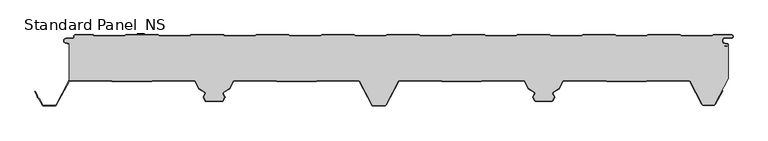
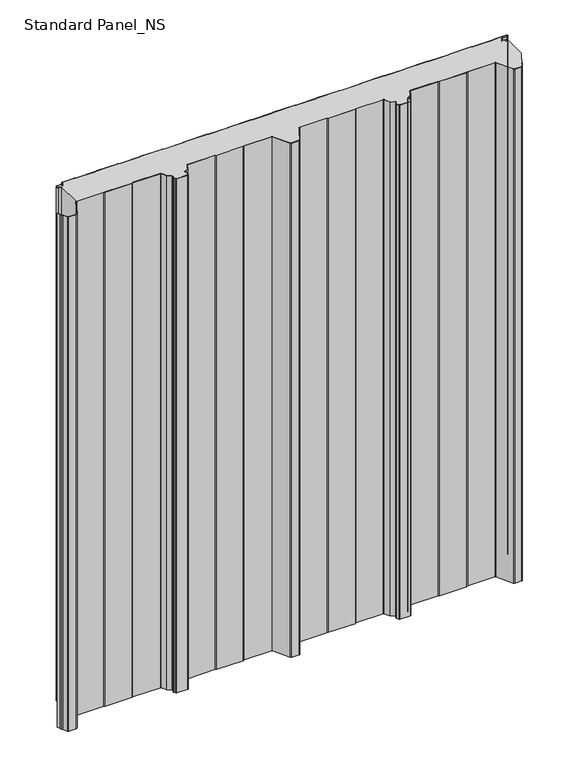
"""IFC4 building model written with IfcOpenShell, lengths in millimetres: proxy geometry, Standard Panel_NS."""

import ifcopenshell
import ifcopenshell.guid

model = None  # the IFC model being written
_history = None  # IfcOwnerHistory: only IFC2X3 demands one
_inside = {}  # id of a spatial element -> (the spatial element, [elements in it])
_under = {}  # id of a project, library or spatial element -> (it, [spatial elements below it])
_declared = {}  # id of a project -> (the project, [libraries it declares])
_typed = {}  # id of a type object -> (the type object, [elements of that type])
_made_of = {}  # id of a material, layer set ... -> (it, [elements and type objects made of it])


def new_model(schema):
    """Start an empty IFC model of exactly this schema.

    Asked for "IFC4X3", IfcOpenShell would pick the latest addendum, in which some entities
    have other attributes; the version numbers below select the first issue.
    IFC2X3 requires an IfcOwnerHistory on every rooted entity: one is made here for all.
    """
    global model, _history
    if schema == "IFC4X3":
        model = ifcopenshell.file(schema_version=(4, 3, 0, 0))
    else:
        model = ifcopenshell.file(schema=schema)
    _inside.clear()
    _under.clear()
    _declared.clear()
    _typed.clear()
    _made_of.clear()
    _history = None
    if model.schema == "IFC2X3":
        org = make("IfcOrganization", Name="unknown")
        user = make(
            "IfcPersonAndOrganization",
            ThePerson=make("IfcPerson", FamilyName="unknown"),
            TheOrganization=org,
        )
        app = make(
            "IfcApplication",
            ApplicationDeveloper=org,
            Version="unknown",
            ApplicationFullName="unknown",
            ApplicationIdentifier="unknown",
        )
        _history = make(
            "IfcOwnerHistory",
            OwningUser=user,
            OwningApplication=app,
            ChangeAction="ADDED",
            CreationDate=0,
        )
    return model


def make(cls, **values):
    """One entity of the class cls with the attributes given. An attribute that is None is left unset."""
    return model.create_entity(
        cls, **{name: value for name, value in values.items() if value is not None}
    )


def rooted(cls, **values):
    """An entity with a GlobalId (a new one), such as an element, a storey or a relation."""
    return make(cls, GlobalId=ifcopenshell.guid.new(), OwnerHistory=_history, **values)


def si_unit(unit_type, name, prefix=None):
    """IfcSIUnit, for example si_unit("LENGTHUNIT", "METRE", prefix="MILLI")."""
    return make("IfcSIUnit", UnitType=unit_type, Prefix=prefix, Name=name)


def assignment(units):
    """IfcUnitAssignment: the units of a project."""
    return None if units is None else make("IfcUnitAssignment", Units=units)


def point(xyz):
    """IfcCartesianPoint."""
    return None if xyz is None else make("IfcCartesianPoint", Coordinates=xyz)


def direction(xyz):
    """IfcDirection."""
    return None if xyz is None else make("IfcDirection", DirectionRatios=xyz)


def frame(location, z_axis=None, x_axis=None):
    """IfcAxis2Placement3D, a coordinate frame: its origin and axes. An axis left out is left unset."""
    return make(
        "IfcAxis2Placement3D",
        Location=point(location),
        Axis=direction(z_axis),
        RefDirection=direction(x_axis),
    )


def frame_2d(location, x_axis=None):
    """IfcAxis2Placement2D, a coordinate frame in the plane: its origin and x axis."""
    return make(
        "IfcAxis2Placement2D", Location=point(location), RefDirection=direction(x_axis)
    )


def origin():
    """The frame at (0, 0, 0) with its axes left unset."""
    return frame((0.0, 0.0, 0.0))


def origin_with_axes():
    """The frame at (0, 0, 0) with the z axis (0, 0, 1) and the x axis (1, 0, 0) written out."""
    return frame((0.0, 0.0, 0.0), z_axis=(0.0, 0.0, 1.0), x_axis=(1.0, 0.0, 0.0))


def place(relative_to, where):
    """IfcLocalPlacement: puts the frame where relative to a parent placement (None: the world)."""
    return make(
        "IfcLocalPlacement", PlacementRelTo=relative_to, RelativePlacement=where
    )


def context(
    kind, dimensions, precision=None, world=None, true_north=None, identifier=None
):
    """IfcGeometricRepresentationContext, for example the 3D "Model" context."""
    return make(
        "IfcGeometricRepresentationContext",
        ContextIdentifier=identifier,
        ContextType=kind,
        CoordinateSpaceDimension=dimensions,
        Precision=precision,
        WorldCoordinateSystem=world,
        TrueNorth=true_north,
    )


def project(units=None, contexts=None):
    """IfcProject with its units and contexts."""
    return rooted(
        "IfcProject",
        Name="project",
        RepresentationContexts=contexts,
        UnitsInContext=assignment(units),
    )


def spatial(cls, under=None, at=None, **own):
    """A site, building, storey or space (cls), placed at a placement, below another one or the project."""
    s = rooted(cls, ObjectPlacement=at, **own)
    if under is not None:
        _under.setdefault(under.id(), (under, []))[1].append(s)
    return s


def polyline(points):
    """IfcPolyline through the points."""
    return make("IfcPolyline", Points=[point(p) for p in points])


def circle_curve(where, radius):
    """IfcCircle in the frame where."""
    return make("IfcCircle", Position=where, Radius=radius)


def trimmed(basis, trim1, trim2, sense, master):
    """IfcTrimmedCurve: the piece of a basis curve between two trims."""
    return make(
        "IfcTrimmedCurve",
        BasisCurve=basis,
        Trim1=trim1,
        Trim2=trim2,
        SenseAgreement=sense,
        MasterRepresentation=master,
    )


def segment(curve, same_sense, transition):
    """IfcCompositeCurveSegment."""
    return make(
        "IfcCompositeCurveSegment",
        Transition=transition,
        SameSense=same_sense,
        ParentCurve=curve,
    )


def composite_curve(segments, self_intersect=None):
    """IfcCompositeCurve: segments joined end to end."""
    return make("IfcCompositeCurve", Segments=segments, SelfIntersect=self_intersect)


def outline(outer, holes=None, kind="AREA"):
    """IfcArbitraryClosedProfileDef: a profile drawn as a closed curve; with holes, ...WithVoids."""
    if holes is None:
        return make("IfcArbitraryClosedProfileDef", ProfileType=kind, OuterCurve=outer)
    return make(
        "IfcArbitraryProfileDefWithVoids",
        ProfileType=kind,
        OuterCurve=outer,
        InnerCurves=holes,
    )


def extrude(swept, where, along, depth):
    """IfcExtrudedAreaSolid: the profile swept, set in the frame where, extruded along a direction by depth."""
    return make(
        "IfcExtrudedAreaSolid",
        SweptArea=swept,
        Position=where,
        ExtrudedDirection=direction(along),
        Depth=depth,
    )


def shape(context_of_items, identifier, shape_type, items):
    """IfcShapeRepresentation: the items that make up one representation, for example the "Body"."""
    return make(
        "IfcShapeRepresentation",
        ContextOfItems=context_of_items,
        RepresentationIdentifier=identifier,
        RepresentationType=shape_type,
        Items=items,
    )


def source(mapping_origin, context_of_items, identifier, shape_type, items):
    """IfcRepresentationMap: a shape defined once, which mapped items show again and again."""
    return make(
        "IfcRepresentationMap",
        MappingOrigin=mapping_origin,
        MappedRepresentation=shape(context_of_items, identifier, shape_type, items),
    )


def transform(
    local_origin,
    x_axis=None,
    y_axis=None,
    z_axis=None,
    scale=None,
    scale2=None,
    scale3=None,
    uniform=True,
):
    """IfcCartesianTransformationOperator3D, or its non-uniform kind. x_axis, y_axis, z_axis: its Axis1, 2, 3."""
    if uniform:
        return make(
            "IfcCartesianTransformationOperator3D",
            Axis1=direction(x_axis),
            Axis2=direction(y_axis),
            LocalOrigin=point(local_origin),
            Scale=scale,
            Axis3=direction(z_axis),
        )
    return make(
        "IfcCartesianTransformationOperator3DnonUniform",
        Axis1=direction(x_axis),
        Axis2=direction(y_axis),
        LocalOrigin=point(local_origin),
        Scale=scale,
        Axis3=direction(z_axis),
        Scale2=scale2,
        Scale3=scale3,
    )


def mapped(mapping_source, mapping_target):
    """IfcMappedItem: shows the shape of a source again, moved by a transform."""
    return make(
        "IfcMappedItem", MappingSource=mapping_source, MappingTarget=mapping_target
    )


def made_of(thing, what):
    """Note that an element or type object is made of a material, layer set ...; save() writes the relation."""
    if what is not None:
        _made_of.setdefault(what.id(), (what, []))[1].append(thing)
    return thing


def element(
    cls,
    number,
    at=None,
    inside=None,
    cuts=None,
    type_object=None,
    material=None,
    context=None,
    identifier="Body",
    shape_type=None,
    held_by="IfcProductDefinitionShape",
    body=None,
    shapes=None,
    **own,
):
    """One element of the class cls, such as IfcWall. Its Tag is "e" and its number.

    at: its placement. inside: the storey or other place that contains it. cuts: it is an
    opening in that element (IfcRelVoidsElement). A single representation is given by context,
    identifier, shape_type and body (its items); several are given by shapes. held_by: the class
    of the entity that holds the representations. save() writes the other relations.
    """
    e = rooted(cls, Tag="e%d" % number, ObjectPlacement=at, **own)
    if body is not None:
        shapes = [shape(context, identifier, shape_type, body)]
    if shapes is not None:
        e.Representation = make(held_by, Representations=shapes)
    if inside is not None:
        _inside.setdefault(inside.id(), (inside, []))[1].append(e)
    if cuts is not None:
        rooted(
            "IfcRelVoidsElement", RelatingBuildingElement=cuts, RelatedOpeningElement=e
        )
    if type_object is not None:
        _typed.setdefault(type_object.id(), (type_object, []))[1].append(e)
    return made_of(e, material)


def aggregate(whole, parts):
    """IfcRelAggregates: a whole, such as a stair, and the parts it consists of."""
    return rooted("IfcRelAggregates", RelatingObject=whole, RelatedObjects=parts)


def save(model, path):
    """Write the relations noted so far, then the file.

    IfcRelAggregates (storeys below a building ...), IfcRelContainedInSpatialStructure (elements
    in a storey), IfcRelDefinesByType, IfcRelAssociatesMaterial and IfcRelDeclares: one each for
    every whole, place, type object, material and project.
    """
    for whole, parts in _under.values():
        aggregate(whole, parts)
    for where, things in _inside.values():
        rooted(
            "IfcRelContainedInSpatialStructure",
            RelatedElements=things,
            RelatingStructure=where,
        )
    for kind, things in _typed.values():
        rooted("IfcRelDefinesByType", RelatedObjects=things, RelatingType=kind)
    for what, things in _made_of.values():
        rooted("IfcRelAssociatesMaterial", RelatedObjects=things, RelatingMaterial=what)
    for by, libraries in _declared.values():
        rooted("IfcRelDeclares", RelatingContext=by, RelatedDefinitions=libraries)
    model.write(path)


def standard_panel_ns_66534514(model_context):
    return source(origin(), model_context, "Body", "SweptSolid", [
        extrude(outline(composite_curve([segment(trimmed(circle_curve(frame_2d((-467.4564897, -71.75)), 2.55), [point((-467.4564897, -69.2))], [point((-468.8443846, -69.6107833))], True, "CARTESIAN"), True, "CONTINUOUS"), segment(polyline([(-468.8443846, -69.6107833), (-468.8443846, -13.0699171), (-474.2876002, -11.8132517)]), True, "CONTINUOUS"), segment(trimmed(circle_curve(frame_2d((-473.6464897, -9.036297)), 2.85), [point((-474.2876002, -11.8132517))], [point((-473.6464897, -6.186297))], False, "CARTESIAN"), True, "CONTINUOUS"), segment(polyline([(-473.6464897, -6.186297), (-463.8464897, -6.186297)]), True, "CONTINUOUS"), segment(trimmed(circle_curve(frame_2d((-463.8464897, -3.436297)), 2.75), [point((-463.8464897, -6.186297))], [point((-461.0964897, -3.436297))], True, "CARTESIAN"), True, "CONTINUOUS"), segment(polyline([(-461.0964897, -3.436297), (-461.0964897, -2.036297)]), True, "CONTINUOUS"), segment(trimmed(circle_curve(frame_2d((-459.8464897, -2.036297)), 1.25), [point((-461.0964897, -2.036297))], [point((-459.8464897, -0.786297))], False, "CARTESIAN"), True, "CONTINUOUS"), segment(polyline([(-459.8464897, -0.786297), (-432.8331943, -0.786297), (-431.1011435, -1.786297), (-384.6771824, -1.786297), (-382.902681, -0.786297), (-333.8331943, -0.786297), (-332.1011435, -1.8), (-285.6365264, -1.8), (-283.9044756, -0.8), (-234.8331943, -0.8), (-233.1011435, -1.8), (-186.6771824, -1.8), (-184.902681, -0.8), (-135.8331943, -0.8), (-134.1011435, -1.8), (-87.6771824, -1.8), (-85.902681, -0.8), (-36.8331943, -0.8), (-35.1011435, -1.8), (11.3634736, -1.8), (13.0955244, -0.8), (62.1668057, -0.8), (63.8988565, -1.8), (110.3634736, -1.8), (112.0955244, -0.8), (161.1668057, -0.8), (162.8988565, -1.8), (209.3228176, -1.8), (211.097319, -0.8), (260.1668057, -0.8), (261.8988565, -1.8), (308.3634736, -1.8), (310.0955244, -0.8), (359.1668057, -0.8), (360.8988565, -1.8), (407.3634736, -1.8), (409.0955244, -0.8), (458.1668057, -0.8), (459.8988565, -1.8), (506.3634736, -1.8), (508.0955244, -0.8), (535.6535103, -0.8)]), True, "CONTINUOUS"), segment(trimmed(circle_curve(frame_2d((535.6535103, -2.55)), 1.75), [point((535.6535103, -0.8))], [point((535.6535103, -4.3))], False, "CARTESIAN"), True, "CONTINUOUS"), segment(polyline([(535.6535103, -4.3), (526.1535103, -4.3)]), True, "CONTINUOUS"), segment(trimmed(circle_curve(frame_2d((526.1535103, -9.05)), 4.75), [point((526.1535103, -4.3))], [point((525.3286815, -13.7278368))], True, "CARTESIAN"), True, "CONTINUOUS"), segment(polyline([(525.3286815, -13.7278368), (529.6534477, -14.4904098)]), True, "CONTINUOUS"), segment(trimmed(circle_curve(frame_2d((529.5058468, -15.3274964)), 0.85), [point((529.6534477, -14.4904098))], [point((529.6253445, -16.1690547))], False, "CARTESIAN"), True, "CONTINUOUS"), segment(polyline([(529.6253445, -16.1690547), (524.7012285, -16.8682582), (524.8136969, -17.660313), (529.7378129, -16.9611095)]), True, "CONTINUOUS"), segment(trimmed(circle_curve(frame_2d((529.5058468, -15.3274964)), 1.65), [point((529.7378129, -16.9611095))], [point((531.1556156, -15.3551162))], True, "CARTESIAN"), True, "CONTINUOUS"), segment(polyline([(531.1556156, -15.3551162), (531.1556156, -66.7559646), (510.5652518, -105.4808064)]), True, "CONTINUOUS"), segment(trimmed(circle_curve(frame_2d((508.7552093, -104.5183897)), 2.05), [point((510.5652518, -105.4808064))], [point((508.7552093, -106.5683897))], False, "CARTESIAN"), True, "CONTINUOUS"), segment(polyline([(508.7552093, -106.5683897), (493.2446093, -106.5683897)]), True, "CONTINUOUS"), segment(trimmed(circle_curve(frame_2d((493.2446093, -104.5183897)), 2.05), [point((493.2446093, -106.5683897))], [point((491.4348615, -105.4813607))], False, "CARTESIAN"), True, "CONTINUOUS"), segment(polyline([(491.4348615, -105.4813607), (472.9163892, -70.5090325)]), True, "CONTINUOUS"), segment(trimmed(circle_curve(frame_2d((470.7064911, -71.7198823)), 2.5198823), [point((472.9163892, -70.5090325))], [point((470.7064911, -69.2))], True, "CARTESIAN"), True, "CONTINUOUS"), segment(polyline([(470.7064911, -69.2), (409.30759, -69.2), (406.3541332, -70.1683897), (346.5543556, -70.1683897), (343.5388467, -69.2), (281.6583282, -69.2)]), True, "CONTINUOUS"), segment(trimmed(circle_curve(frame_2d((281.4706486, -70.9901889)), 1.8), [point((281.6583282, -69.2))], [point((279.8813514, -70.1451242))], True, "CARTESIAN"), True, "CONTINUOUS"), segment(polyline([(279.8813514, -70.1451242), (273.7569305, -81.6632074), (264.7735386, -87.3508249)]), True, "CONTINUOUS"), segment(trimmed(circle_curve(frame_2d((265.7364071, -88.8716418)), 1.8), [point((264.7735386, -87.3508249))], [point((264.1273846, -89.6785164))], True, "CARTESIAN"), True, "CONTINUOUS"), segment(polyline([(264.1273846, -89.6785164), (266.7244548, -94.8574433), (263.7468294, -100.4573069), (238.2529825, -100.4573069), (235.2699012, -94.8466132), (237.8617103, -89.6784342)]), True, "CONTINUOUS"), segment(trimmed(circle_curve(frame_2d((236.2527038, -88.8715276)), 1.8), [point((237.8617103, -89.6784342))], [point((237.2156025, -87.3507298))], True, "CARTESIAN"), True, "CONTINUOUS"), segment(polyline([(237.2156025, -87.3507298), (228.2489804, -81.6734802), (222.1195681, -70.1454573)]), True, "CONTINUOUS"), segment(trimmed(circle_curve(frame_2d((220.5302541, -70.9904904)), 1.8), [point((222.1195681, -70.1454573))], [point((220.3454724, -69.2))], True, "CARTESIAN"), True, "CONTINUOUS"), segment(polyline([(220.3454724, -69.2), (158.8926889, -69.2), (156.5110491, -70.1683897), (96.7197082, -70.1683897), (94.3380684, -69.2), (32.543497, -69.2)]), True, "CONTINUOUS"), segment(trimmed(circle_curve(frame_2d((32.543497, -71.75)), 2.55), [point((32.543497, -69.2))], [point((30.2919806, -70.5528475))], True, "CARTESIAN"), True, "CONTINUOUS"), segment(polyline([(30.2919806, -70.5528475), (11.188746, -106.4808064)]), True, "CONTINUOUS"), segment(trimmed(circle_curve(frame_2d((9.3787035, -105.5183897)), 2.05), [point((11.188746, -106.4808064))], [point((9.3787035, -107.5683897))], False, "CARTESIAN"), True, "CONTINUOUS"), segment(polyline([(9.3787035, -107.5683897), (-7.3788849, -107.5683897)]), True, "CONTINUOUS"), segment(trimmed(circle_curve(frame_2d((-7.3788849, -105.5183897)), 2.05), [point((-7.3788849, -107.5683897))], [point((-9.1889275, -106.4808064))], False, "CARTESIAN"), True, "CONTINUOUS"), segment(polyline([(-9.1889275, -106.4808064), (-28.292162, -70.5528475)]), True, "CONTINUOUS"), segment(trimmed(circle_curve(frame_2d((-30.5436784, -71.75)), 2.55), [point((-28.292162, -70.5528475))], [point((-30.5436784, -69.2))], True, "CARTESIAN"), True, "CONTINUOUS"), segment(polyline([(-30.5436784, -69.2), (-91.8382499, -69.2), (-94.2198897, -70.1683897), (-154.0112306, -70.1683897), (-156.392871, -69.2), (-218.5304355, -69.2)]), True, "CONTINUOUS"), segment(trimmed(circle_curve(frame_2d((-218.5304355, -70.9997352)), 1.7997352), [point((-218.5304355, -69.2))], [point((-220.1195157, -70.1548264))], True, "CARTESIAN"), True, "CONTINUOUS"), segment(polyline([(-220.1195157, -70.1548264), (-226.2491619, -81.6832892), (-235.2157839, -87.3605387)]), True, "CONTINUOUS"), segment(trimmed(circle_curve(frame_2d((-234.2528851, -88.8813366)), 1.8), [point((-235.2157839, -87.3605387))], [point((-235.8618916, -89.6882431))], True, "CARTESIAN"), True, "CONTINUOUS"), segment(polyline([(-235.8618916, -89.6882431), (-233.2700817, -94.8564238), (-236.2531818, -100.4669529), (-261.74715, -100.4669529), (-264.7246358, -94.8672514), (-262.1275659, -89.6883253)]), True, "CONTINUOUS"), segment(trimmed(circle_curve(frame_2d((-263.7365884, -88.8814507)), 1.8), [point((-262.1275659, -89.6883253))], [point((-262.7737199, -87.3606338))], True, "CARTESIAN"), True, "CONTINUOUS"), segment(polyline([(-262.7737199, -87.3606338), (-271.7571118, -81.6730163), (-277.8815327, -70.1549332)]), True, "CONTINUOUS"), segment(trimmed(circle_curve(frame_2d((-279.4708299, -70.9999978)), 1.8), [point((-277.8815327, -70.1549332))], [point((-279.468044, -69.2))], True, "CARTESIAN"), True, "CONTINUOUS"), segment(polyline([(-279.468044, -69.2), (-341.6073108, -69.2), (-343.9889442, -70.1683897), (-403.7802849, -70.1683897), (-406.1619183, -69.2), (-467.4564897, -69.2)]), True, "CONTINUOUS")], self_intersect=False)), origin_with_axes(), (0.0, 0.0, 1.0), 1219.2),
        extrude(outline(composite_curve([segment(trimmed(circle_curve(frame_2d((535.6535103, -2.55)), 2.55), [point((535.6535103, 0.0))], [point((535.6535103, -5.1))], False, "CARTESIAN"), True, "CONTINUOUS"), segment(polyline([(535.6535103, -5.1), (526.1535103, -5.1)]), True, "CONTINUOUS"), segment(trimmed(circle_curve(frame_2d((526.1535103, -9.05)), 3.95), [point((526.1535103, -5.1))], [point((525.4676, -12.9399906))], True, "CARTESIAN"), True, "CONTINUOUS"), segment(polyline([(525.4676, -12.9399906), (529.7923663, -13.7025636)]), True, "CONTINUOUS"), segment(trimmed(circle_curve(frame_2d((529.5058468, -15.3274964)), 1.65), [point((529.7923663, -13.7025636))], [point((529.7378129, -16.9611095))], False, "CARTESIAN"), True, "CONTINUOUS"), segment(polyline([(529.7378129, -16.9611095), (524.8136969, -17.660313), (524.7012285, -16.8682582), (529.6253445, -16.1690547)]), True, "CONTINUOUS"), segment(trimmed(circle_curve(frame_2d((529.5058468, -15.3274964)), 0.85), [point((529.6253445, -16.1690547))], [point((529.6534477, -14.4904098))], True, "CARTESIAN"), True, "CONTINUOUS"), segment(polyline([(529.6534477, -14.4904098), (525.3286815, -13.7278368)]), True, "CONTINUOUS"), segment(trimmed(circle_curve(frame_2d((526.1535103, -9.05)), 4.75), [point((525.3286815, -13.7278368))], [point((526.1535103, -4.3))], False, "CARTESIAN"), True, "CONTINUOUS"), segment(polyline([(526.1535103, -4.3), (535.6535103, -4.3)]), True, "CONTINUOUS"), segment(trimmed(circle_curve(frame_2d((535.6535103, -2.55)), 1.75), [point((535.6535103, -4.3))], [point((535.6535103, -0.8))], True, "CARTESIAN"), True, "CONTINUOUS"), segment(polyline([(535.6535103, -0.8), (508.0955244, -0.8), (506.3634736, -1.8), (459.8988565, -1.8), (458.1668057, -0.8), (409.0955244, -0.8), (407.3634736, -1.8), (360.8988565, -1.8), (359.1668057, -0.8), (310.0955244, -0.8), (308.3634736, -1.8), (261.8988565, -1.8), (260.1668057, -0.8), (211.097319, -0.8), (209.3228176, -1.8), (162.8988565, -1.8), (161.1668057, -0.8), (112.0955244, -0.8), (110.3634736, -1.8), (63.8988565, -1.8), (62.1668057, -0.8), (13.0955244, -0.8), (11.3634736, -1.8), (-35.1011435, -1.8), (-36.8331943, -0.8), (-85.902681, -0.8), (-87.6771824, -1.8), (-134.1011435, -1.8), (-135.8331943, -0.8), (-184.902681, -0.8), (-186.6771824, -1.8), (-233.1011435, -1.8), (-234.8331943, -0.8), (-283.9044756, -0.8), (-285.6365264, -1.8), (-332.1011435, -1.8), (-333.8331943, -0.786297), (-382.902681, -0.786297), (-384.6771824, -1.786297), (-431.1011435, -1.786297), (-432.8331943, -0.786297), (-459.8464897, -0.786297)]), True, "CONTINUOUS"), segment(trimmed(circle_curve(frame_2d((-459.8464897, -2.036297)), 1.25), [point((-459.8464897, -0.786297))], [point((-461.0964897, -2.036297))], True, "CARTESIAN"), True, "CONTINUOUS"), segment(polyline([(-461.0964897, -2.036297), (-461.0964897, -3.436297)]), True, "CONTINUOUS"), segment(trimmed(circle_curve(frame_2d((-463.8464897, -3.436297)), 2.75), [point((-461.0964897, -3.436297))], [point((-463.8464897, -6.186297))], False, "CARTESIAN"), True, "CONTINUOUS"), segment(polyline([(-463.8464897, -6.186297), (-473.6464897, -6.186297)]), True, "CONTINUOUS"), segment(trimmed(circle_curve(frame_2d((-473.6464897, -9.036297)), 2.85), [point((-473.6464897, -6.186297))], [point((-474.2876002, -11.8132517))], True, "CARTESIAN"), True, "CONTINUOUS"), segment(polyline([(-474.2876002, -11.8132517), (-468.8443846, -13.0699171), (-469.0243454, -13.8494131), (-474.4675611, -12.5927478)]), True, "CONTINUOUS"), segment(trimmed(circle_curve(frame_2d((-473.6464897, -9.036297)), 3.65), [point((-474.4675611, -12.5927478))], [point((-473.6464897, -5.386297))], False, "CARTESIAN"), True, "CONTINUOUS"), segment(polyline([(-473.6464897, -5.386297), (-463.8464897, -5.386297)]), True, "CONTINUOUS"), segment(trimmed(circle_curve(frame_2d((-463.8464897, -3.436297)), 1.95), [point((-463.8464897, -5.386297))], [point((-461.8964897, -3.436297))], True, "CARTESIAN"), True, "CONTINUOUS"), segment(polyline([(-461.8964897, -3.436297), (-461.8964897, -2.036297)]), True, "CONTINUOUS"), segment(trimmed(circle_curve(frame_2d((-459.8464897, -2.036297)), 2.05), [point((-461.8964897, -2.036297))], [point((-459.8464897, 0.013703))], False, "CARTESIAN"), True, "CONTINUOUS"), segment(polyline([(-459.8464897, 0.013703), (-432.618835, 0.013703), (-430.8867842, -0.986297), (-384.8870804, -0.986297), (-383.1125789, 0.013703), (-333.618835, 0.013703), (-331.8867842, -1.0), (-285.8508858, -1.0), (-284.118835, 0.0), (-234.618835, 0.0), (-232.8867842, -1.0), (-186.8870804, -1.0), (-185.1125789, 0.0), (-135.618835, 0.0), (-133.8867842, -1.0), (-87.8870804, -1.0), (-86.1125789, 0.0), (-36.618835, 0.0), (-34.8867842, -1.0), (11.1491142, -1.0), (12.881165, 0.0), (62.381165, 0.0), (64.1132158, -1.0), (110.1491142, -1.0), (111.881165, 0.0), (161.381165, 0.0), (163.1132158, -1.0), (209.1129196, -1.0), (210.8874211, 0.0), (260.381165, 0.0), (262.1132158, -1.0), (308.1491142, -1.0), (309.881165, 0.0), (359.381165, 0.0), (361.1132158, -1.0), (407.1491142, -1.0), (408.881165, 0.0), (458.381165, 0.0), (460.1132158, -1.0), (506.1491142, -1.0), (507.881165, 0.0), (535.6535103, 0.0)]), True, "CONTINUOUS")], self_intersect=False)), origin_with_axes(), (0.0, 0.0, 1.0), 1219.2),
        extrude(outline(composite_curve([segment(trimmed(circle_curve(frame_2d((-467.4564897, -71.75)), 1.75), [point((-467.4564897, -70.0))], [point((-469.001648, -70.9284248))], True, "CARTESIAN"), True, "CONTINUOUS"), segment(polyline([(-469.001648, -70.9284248), (-488.1048826, -106.8563836)]), True, "CONTINUOUS"), segment(trimmed(circle_curve(frame_2d((-490.6212832, -105.5183897)), 2.85), [point((-488.1048826, -106.8563836))], [point((-490.6212832, -108.3683897))], False, "CARTESIAN"), True, "CONTINUOUS"), segment(polyline([(-490.6212832, -108.3683897), (-507.3620907, -108.3683897)]), True, "CONTINUOUS"), segment(trimmed(circle_curve(frame_2d((-507.3620907, -105.5183897)), 2.85), [point((-507.3620907, -108.3683897))], [point((-509.8784914, -106.8563836))], False, "CARTESIAN"), True, "CONTINUOUS"), segment(polyline([(-509.8784914, -106.8563836), (-514.7628407, -97.6702585), (-517.1803883, -95.3708693), (-517.7777505, -92.000038), (-520.8462798, -86.2289737), (-520.1399217, -85.8533964), (-517.0120726, -91.7360251), (-516.4385398, -94.9723908), (-514.1174305, -97.1800551), (-509.1721333, -106.4808064)]), True, "CONTINUOUS"), segment(trimmed(circle_curve(frame_2d((-507.3620907, -105.5183897)), 2.05), [point((-509.1721333, -106.4808064))], [point((-507.3620907, -107.5683897))], True, "CARTESIAN"), True, "CONTINUOUS"), segment(polyline([(-507.3620907, -107.5683897), (-490.6212832, -107.5683897)]), True, "CONTINUOUS"), segment(trimmed(circle_curve(frame_2d((-490.6212832, -105.5183897)), 2.05), [point((-490.6212832, -107.5683897))], [point((-488.8112406, -106.4808064))], True, "CARTESIAN"), True, "CONTINUOUS"), segment(polyline([(-488.8112406, -106.4808064), (-469.7080061, -70.5528475)]), True, "CONTINUOUS"), segment(trimmed(circle_curve(frame_2d((-467.4564897, -71.75)), 2.55), [point((-469.7080061, -70.5528475))], [point((-467.4564897, -69.2))], False, "CARTESIAN"), True, "CONTINUOUS"), segment(polyline([(-467.4564897, -69.2), (-406.1619183, -69.2), (-403.7802849, -70.1683897), (-343.9889442, -70.1683897), (-341.6073108, -69.2), (-279.468044, -69.2)]), True, "CONTINUOUS"), segment(trimmed(circle_curve(frame_2d((-279.4708299, -70.9999978)), 1.8), [point((-279.468044, -69.2))], [point((-277.8815327, -70.1549332))], False, "CARTESIAN"), True, "CONTINUOUS"), segment(polyline([(-277.8815327, -70.1549332), (-271.7571118, -81.6730163), (-262.7737199, -87.3606338)]), True, "CONTINUOUS"), segment(trimmed(circle_curve(frame_2d((-263.7365884, -88.8814507)), 1.8), [point((-262.7737199, -87.3606338))], [point((-262.1275659, -89.6883253))], False, "CARTESIAN"), True, "CONTINUOUS"), segment(polyline([(-262.1275659, -89.6883253), (-264.7246358, -94.8672514), (-261.74715, -100.4669529), (-236.2531818, -100.4669529), (-233.2700817, -94.8564238), (-235.8618916, -89.6882431)]), True, "CONTINUOUS"), segment(trimmed(circle_curve(frame_2d((-234.2528851, -88.8813366)), 1.8), [point((-235.8618916, -89.6882431))], [point((-235.2157839, -87.3605387))], False, "CARTESIAN"), True, "CONTINUOUS"), segment(polyline([(-235.2157839, -87.3605387), (-226.2491619, -81.6832892), (-220.1195157, -70.1548264)]), True, "CONTINUOUS"), segment(trimmed(circle_curve(frame_2d((-218.5304355, -70.9997352)), 1.7997352), [point((-220.1195157, -70.1548264))], [point((-218.5304355, -69.2))], False, "CARTESIAN"), True, "CONTINUOUS"), segment(polyline([(-218.5304355, -69.2), (-156.392871, -69.2), (-154.0112306, -70.1683897), (-94.2198897, -70.1683897), (-91.8382499, -69.2), (-30.5436784, -69.2)]), True, "CONTINUOUS"), segment(trimmed(circle_curve(frame_2d((-30.5436784, -71.75)), 2.55), [point((-30.5436784, -69.2))], [point((-28.292162, -70.5528475))], False, "CARTESIAN"), True, "CONTINUOUS"), segment(polyline([(-28.292162, -70.5528475), (-9.1889275, -106.4808064)]), True, "CONTINUOUS"), segment(trimmed(circle_curve(frame_2d((-7.3788849, -105.5183897)), 2.05), [point((-9.1889275, -106.4808064))], [point((-7.3788849, -107.5683897))], True, "CARTESIAN"), True, "CONTINUOUS"), segment(polyline([(-7.3788849, -107.5683897), (9.3787035, -107.5683897)]), True, "CONTINUOUS"), segment(trimmed(circle_curve(frame_2d((9.3787035, -105.5183897)), 2.05), [point((9.3787035, -107.5683897))], [point((11.188746, -106.4808064))], True, "CARTESIAN"), True, "CONTINUOUS"), segment(polyline([(11.188746, -106.4808064), (30.2919806, -70.5528475)]), True, "CONTINUOUS"), segment(trimmed(circle_curve(frame_2d((32.543497, -71.75)), 2.55), [point((30.2919806, -70.5528475))], [point((32.543497, -69.2))], False, "CARTESIAN"), True, "CONTINUOUS"), segment(polyline([(32.543497, -69.2), (93.8380684, -69.2), (96.2197082, -70.1683897), (156.0110491, -70.1683897), (158.3926889, -69.2), (220.3454724, -69.2)]), True, "CONTINUOUS"), segment(trimmed(circle_curve(frame_2d((220.5302541, -70.9904904)), 1.8), [point((220.3454724, -69.2))], [point((222.1195681, -70.1454573))], False, "CARTESIAN"), True, "CONTINUOUS"), segment(polyline([(222.1195681, -70.1454573), (228.2489804, -81.6734802), (237.2156025, -87.3507298)]), True, "CONTINUOUS"), segment(trimmed(circle_curve(frame_2d((236.2527038, -88.8715276)), 1.8), [point((237.2156025, -87.3507298))], [point((237.8617103, -89.6784342))], False, "CARTESIAN"), True, "CONTINUOUS"), segment(polyline([(237.8617103, -89.6784342), (235.2699012, -94.8466132), (238.2529825, -100.4573069), (263.7468294, -100.4573069), (266.7244548, -94.8574433), (264.1273846, -89.6785164)]), True, "CONTINUOUS"), segment(trimmed(circle_curve(frame_2d((265.7364071, -88.8716418)), 1.8), [point((264.1273846, -89.6785164))], [point((264.7735386, -87.3508249))], False, "CARTESIAN"), True, "CONTINUOUS"), segment(polyline([(264.7735386, -87.3508249), (273.7569305, -81.6632074), (279.8813514, -70.1451242)]), True, "CONTINUOUS"), segment(trimmed(circle_curve(frame_2d((281.4706486, -70.9901889)), 1.8), [point((279.8813514, -70.1451242))], [point((281.6583282, -69.2))], False, "CARTESIAN"), True, "CONTINUOUS"), segment(polyline([(281.6583282, -69.2), (343.440414, -69.2), (346.4559229, -70.1683897), (406.3541332, -70.1683897), (409.30759, -69.2), (470.7064911, -69.2)]), True, "CONTINUOUS"), segment(trimmed(circle_curve(frame_2d((470.7064911, -71.7198823)), 2.5198823), [point((470.7064911, -69.2))], [point((472.9163892, -70.5090325))], False, "CARTESIAN"), True, "CONTINUOUS"), segment(polyline([(472.9163892, -70.5090325), (491.4348615, -105.4813607)]), True, "CONTINUOUS"), segment(trimmed(circle_curve(frame_2d((493.2446093, -104.5183897)), 2.05), [point((491.4348615, -105.4813607))], [point((493.2446093, -106.5683897))], True, "CARTESIAN"), True, "CONTINUOUS"), segment(polyline([(493.2446093, -106.5683897), (508.7552093, -106.5683897)]), True, "CONTINUOUS"), segment(trimmed(circle_curve(frame_2d((508.7552093, -104.5183897)), 2.05), [point((508.7552093, -106.5683897))], [point((510.5652518, -105.4808064))], True, "CARTESIAN"), True, "CONTINUOUS"), segment(polyline([(510.5652518, -105.4808064), (521.5330465, -84.8533847), (522.2394046, -85.2289619), (511.2716099, -105.8563836)]), True, "CONTINUOUS"), segment(trimmed(circle_curve(frame_2d((508.7552093, -104.5183897)), 2.85), [point((511.2716099, -105.8563836))], [point((508.7552093, -107.3683897))], False, "CARTESIAN"), True, "CONTINUOUS"), segment(polyline([(508.7552093, -107.3683897), (493.2446093, -107.3683897)]), True, "CONTINUOUS"), segment(trimmed(circle_curve(frame_2d((493.2446093, -104.5183897)), 2.85), [point((493.2446093, -107.3683897))], [point((490.7282086, -105.8563836))], False, "CARTESIAN"), True, "CONTINUOUS"), segment(polyline([(490.7282086, -105.8563836), (472.2123141, -70.8889236)]), True, "CONTINUOUS"), segment(trimmed(circle_curve(frame_2d((470.7064911, -71.7198823)), 1.7198823), [point((472.2123141, -70.8889236))], [point((470.7064911, -70.0))], True, "CARTESIAN"), True, "CONTINUOUS"), segment(polyline([(470.7064911, -70.0), (409.435396, -70.0), (406.4819392, -70.9683897), (346.3306196, -70.9683897), (343.3151107, -70.0), (281.6103837, -70.0)]), True, "CONTINUOUS"), segment(trimmed(circle_curve(frame_2d((281.4706486, -70.9901889)), 1.0), [point((281.6103837, -70.0))], [point((280.5877057, -70.5207085))], True, "CARTESIAN"), True, "CONTINUOUS"), segment(polyline([(280.5877057, -70.5207085), (274.3638391, -82.2258174), (265.2014801, -88.0267435)]), True, "CONTINUOUS"), segment(trimmed(circle_curve(frame_2d((265.7364071, -88.8716418)), 1.0), [point((265.2014801, -88.0267435))], [point((264.8425057, -89.3199055))], True, "CARTESIAN"), True, "CONTINUOUS"), segment(polyline([(264.8425057, -89.3199055), (267.3932697, -94.4064911)]), True, "CONTINUOUS"), segment(trimmed(circle_curve(frame_2d((266.4993683, -94.8547548)), 1.0), [point((267.3932697, -94.4064911))], [point((267.3823077, -95.3242418))], False, "CARTESIAN"), True, "CONTINUOUS"), segment(polyline([(267.3823077, -95.3242418), (264.6506332, -100.4615583)]), True, "CONTINUOUS"), segment(trimmed(circle_curve(frame_2d((263.3262591, -99.7573465)), 1.4999604), [point((264.6506332, -100.4615583))], [point((263.3262591, -101.2573069))], False, "CARTESIAN"), True, "CONTINUOUS"), segment(polyline([(263.3262591, -101.2573069), (238.673644, -101.2573069)]), True, "CONTINUOUS"), segment(trimmed(circle_curve(frame_2d((238.673644, -99.7572281)), 1.5000788), [point((238.673644, -101.2573069))], [point((237.3491357, -100.4614397))], False, "CARTESIAN"), True, "CONTINUOUS"), segment(polyline([(237.3491357, -100.4614397), (234.6120274, -95.3133815)]), True, "CONTINUOUS"), segment(trimmed(circle_curve(frame_2d((235.4949866, -94.8439317)), 1.0), [point((234.6120274, -95.3133815))], [point((234.6010941, -94.3956503))], False, "CARTESIAN"), True, "CONTINUOUS"), segment(polyline([(234.6010941, -94.3956503), (237.1465963, -89.319809)]), True, "CONTINUOUS"), segment(trimmed(circle_curve(frame_2d((236.2527038, -88.8715276)), 1.0), [point((237.1465963, -89.319809))], [point((236.7876475, -88.0266399))], True, "CARTESIAN"), True, "CONTINUOUS"), segment(polyline([(236.7876475, -88.0266399), (227.6420606, -82.2360781), (221.4132063, -70.5210275)]), True, "CONTINUOUS"), segment(trimmed(circle_curve(frame_2d((220.5302541, -70.9904904)), 1.0), [point((221.4132063, -70.5210275))], [point((220.3926719, -70.0))], True, "CARTESIAN"), True, "CONTINUOUS"), segment(polyline([(220.3926719, -70.0), (158.5491133, -70.0), (156.1674734, -70.9683897), (96.0632839, -70.9683897), (93.6816441, -70.0), (32.543497, -70.0)]), True, "CONTINUOUS"), segment(trimmed(circle_curve(frame_2d((32.543497, -71.75)), 1.75), [point((32.543497, -70.0))], [point((30.9983387, -70.9284248))], True, "CARTESIAN"), True, "CONTINUOUS"), segment(polyline([(30.9983387, -70.9284248), (11.8951041, -106.8563836)]), True, "CONTINUOUS"), segment(trimmed(circle_curve(frame_2d((9.3787035, -105.5183897)), 2.85), [point((11.8951041, -106.8563836))], [point((9.3787035, -108.3683897))], False, "CARTESIAN"), True, "CONTINUOUS"), segment(polyline([(9.3787035, -108.3683897), (-7.3788849, -108.3683897)]), True, "CONTINUOUS"), segment(trimmed(circle_curve(frame_2d((-7.3788849, -105.5183897)), 2.85), [point((-7.3788849, -108.3683897))], [point((-9.8952855, -106.8563836))], False, "CARTESIAN"), True, "CONTINUOUS"), segment(polyline([(-9.8952855, -106.8563836), (-28.9985201, -70.9284248)]), True, "CONTINUOUS"), segment(trimmed(circle_curve(frame_2d((-30.5436784, -71.75)), 1.75), [point((-28.9985201, -70.9284248))], [point((-30.5436784, -70.0))], True, "CARTESIAN"), True, "CONTINUOUS"), segment(polyline([(-30.5436784, -70.0), (-91.6818255, -70.0), (-94.0634654, -70.9683897), (-154.1676549, -70.9683897), (-156.5492953, -69.9999999), (-218.5304355, -69.9999999)]), True, "CONTINUOUS"), segment(trimmed(circle_curve(frame_2d((-218.5304355, -70.9997352)), 0.9997353), [point((-218.5304355, -69.9999999))], [point((-219.413154, -70.5303966))], True, "CARTESIAN"), True, "CONTINUOUS"), segment(polyline([(-219.413154, -70.5303966), (-225.6422421, -82.2458871), (-234.7878289, -88.0364489)]), True, "CONTINUOUS"), segment(trimmed(circle_curve(frame_2d((-234.2528851, -88.8813366)), 1.0), [point((-234.7878289, -88.0364489))], [point((-235.1467776, -89.329618))], True, "CARTESIAN"), True, "CONTINUOUS"), segment(polyline([(-235.1467776, -89.329618), (-232.6012754, -94.4054592)]), True, "CONTINUOUS"), segment(trimmed(circle_curve(frame_2d((-233.4951679, -94.8537406)), 1.0), [point((-232.6012754, -94.4054592))], [point((-232.6122157, -95.3232034))], False, "CARTESIAN"), True, "CONTINUOUS"), segment(polyline([(-232.6122157, -95.3232034), (-235.3493606, -100.4711471)]), True, "CONTINUOUS"), segment(trimmed(circle_curve(frame_2d((-236.6737889, -99.7669529)), 1.5), [point((-235.3493606, -100.4711471))], [point((-236.6737889, -101.2669529))], False, "CARTESIAN"), True, "CONTINUOUS"), segment(polyline([(-236.6737889, -101.2669529), (-261.2993182, -101.2669529)]), True, "CONTINUOUS"), segment(trimmed(circle_curve(frame_2d((-261.3264221, -99.7671978)), 1.5), [point((-261.2993182, -101.2669529))], [point((-262.6508365, -100.4714183))], False, "CARTESIAN"), True, "CONTINUOUS"), segment(polyline([(-262.6508365, -100.4714183), (-265.3824926, -95.3340441)]), True, "CONTINUOUS"), segment(trimmed(circle_curve(frame_2d((-264.4995496, -94.8645637)), 1.0), [point((-265.3824926, -95.3340441))], [point((-265.393451, -94.4163001))], False, "CARTESIAN"), True, "CONTINUOUS"), segment(polyline([(-265.393451, -94.4163001), (-262.842687, -89.3297144)]), True, "CONTINUOUS"), segment(trimmed(circle_curve(frame_2d((-263.7365884, -88.8814507)), 1.0), [point((-262.842687, -89.3297144))], [point((-263.2016615, -88.0365524))], True, "CARTESIAN"), True, "CONTINUOUS"), segment(polyline([(-263.2016615, -88.0365524), (-272.3640204, -82.2356263), (-278.587887, -70.5305175)]), True, "CONTINUOUS"), segment(trimmed(circle_curve(frame_2d((-279.4708299, -70.9999978)), 1.0), [point((-278.587887, -70.5305175))], [point((-279.4687534, -70.0))], True, "CARTESIAN"), True, "CONTINUOUS"), segment(polyline([(-279.4687534, -70.0), (-341.4508861, -70.0), (-343.8325195, -70.9683897), (-403.9367096, -70.9683897), (-406.318343, -70.0), (-467.4564897, -70.0)]), True, "CONTINUOUS")], self_intersect=False)), origin_with_axes(), (0.0, 0.0, 1.0), 1219.2),
    ])


if __name__ == "__main__":
    model = new_model("IFC4")
    model_context = context("Model", 3, world=origin())
    ifc_project = project(units=[si_unit("LENGTHUNIT", "METRE", prefix="MILLI")], contexts=[model_context])
    site = spatial("IfcSite", under=ifc_project)
    building = spatial("IfcBuilding", under=site)
    placement = place(None, origin())
    standard_panel_ns_shape = standard_panel_ns_66534514(model_context)
    element("IfcBuildingElementProxy", 1, Name="Standard Panel_NS", ObjectType="Standard Panel_NS", at=placement, inside=building, context=model_context, shape_type="MappedRepresentation", body=[
        mapped(standard_panel_ns_shape, transform((0.0, 0.0, 0.0), x_axis=(1.0, 0.0, 0.0), y_axis=(0.0, 1.0, 0.0), z_axis=(0.0, 0.0, 1.0))),
    ])
    save(model, "model.ifc")
